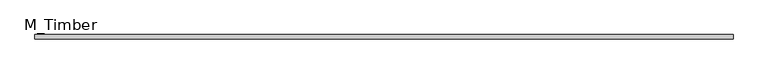
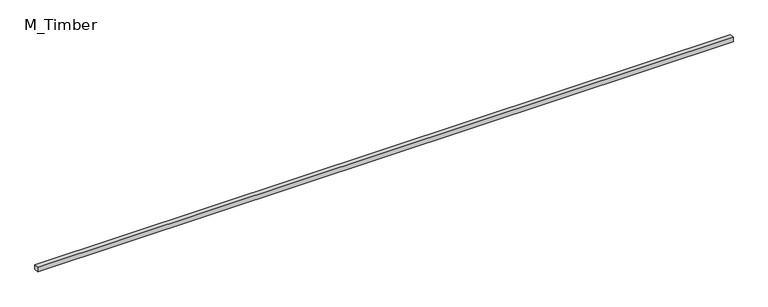
"""IFC4 building model written with IfcOpenShell, lengths in millimetres: beam geometry, M_Timber."""

from ifc_helpers import new_model, si_unit, frame, origin, place, context, project, spatial, polyline, outline, extrude, source, transform, mapped, element, save


def m_timber_498cd042(model_context):
    return source(origin(), model_context, "Body", "SweptSolid", [
        extrude(outline(polyline([(4628.2723368, 30.0), (4628.2723368, -30.0), (-4628.2723368, -30.0), (-4628.2723368, 30.0), (4628.2723368, 30.0)])), frame((0.0, 0.0, -30.0), z_axis=(0.0, 0.0, 1.0), x_axis=(1.0, 0.0, 0.0)), (0.0, 0.0, 1.0), 60.0),
    ])


if __name__ == "__main__":
    model = new_model("IFC4")
    model_context = context("Model", 3, world=origin())
    ifc_project = project(units=[si_unit("LENGTHUNIT", "METRE", prefix="MILLI")], contexts=[model_context])
    site = spatial("IfcSite", under=ifc_project)
    building = spatial("IfcBuilding", under=site)
    placement = place(None, origin())
    m_timber_shape = m_timber_498cd042(model_context)
    element("IfcBeam", 1, ObjectType="M_Timber", at=placement, inside=building, context=model_context, shape_type="MappedRepresentation", body=[
        mapped(m_timber_shape, transform((0.0, 0.0, 0.0), x_axis=(1.0, 0.0, 0.0), y_axis=(0.0, 1.0, 0.0), z_axis=(0.0, 0.0, 1.0))),
    ])
    save(model, "model.ifc")
